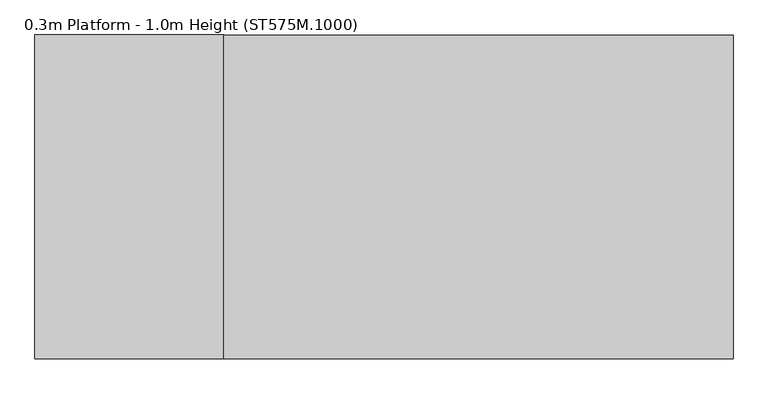
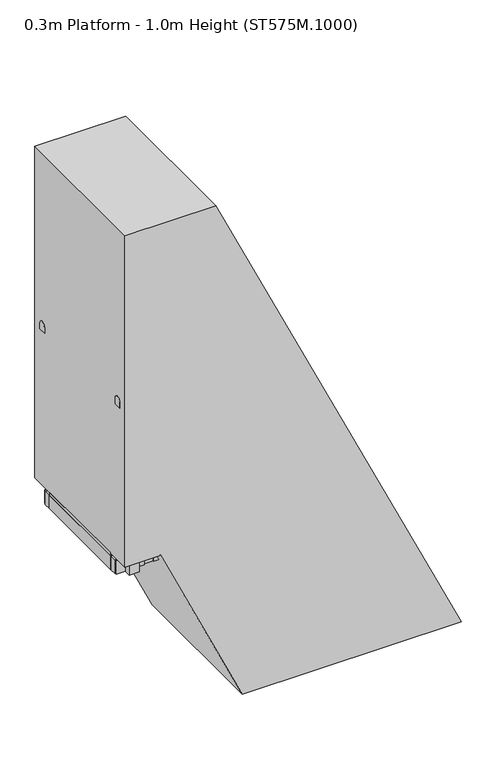
"""IFC4 building model written with IfcOpenShell, lengths in millimetres: proxy geometry, 0.3m Platform - 1.0m Height (ST575M.1000)."""

from ifc_helpers import new_model, si_unit, point, frame, frame_2d, origin, origin_with_axes, place, context, project, spatial, polyline, circle_curve, ellipse_curve, trimmed, segment, composite_curve, outline, extrude, source, transform, mapped, element, save
from ifc_brep_helpers import plane_surface, cylinder_surface, advanced_brep


def proxy_0_3m_platform_1_0m_height_st575m_1000_bfb0218d(model_context):
    return source(origin(), model_context, "Body", "SolidModel", [
        extrude(outline(polyline([(750.0, 12.5827964), (670.0, 49.887404), (670.0, 160.2252011), (750.0, 122.9205885), (750.0, 12.5827964)])), frame((0.0, 298.5, 0.0), z_axis=(0.0, 1.0, 0.0), x_axis=(0.0, 0.0, 1.0)), (0.0, 0.0, 1.0), 6.0),
        extrude(outline(polyline([(750.0, 12.5827964), (670.0, 49.887404), (670.0, 160.2252011), (750.0, 122.9205885), (750.0, 12.5827964)])), frame((0.0, -304.5, 0.0), z_axis=(0.0, 1.0, 0.0), x_axis=(0.0, 0.0, 1.0)), (0.0, 0.0, 1.0), 6.0),
        extrude(outline(polyline([(750.0, 19.7547527), (712.0999991, 37.427811), (712.0999991, 39.6345668), (747.0, 23.3604313), (747.0, 122.1127556), (712.0999991, 138.3868933), (712.0999991, 140.5936491), (750.0, 122.9205885), (750.0, 102.4928473), (749.2749538, 102.1547527), (750.0, 101.8166582), (750.0, 81.8928473), (749.2749538, 81.5547527), (750.0, 81.2166582), (750.0, 61.2928473), (749.2749538, 60.9547527), (750.0, 60.6166582), (750.0, 40.6928473), (749.2749538, 40.3547527), (750.0, 40.0166582), (750.0, 19.7547527)])), frame((0.0, -298.5, 0.0), z_axis=(0.0, 1.0, 0.0), x_axis=(0.0, 0.0, 1.0)), (0.0, 0.0, 1.0), 597.0),
        extrude(outline(polyline([(500.0, 129.170381), (420.0, 166.4749886), (420.0, 276.8127857), (500.0, 239.5081731), (500.0, 129.170381)])), frame((0.0, 298.5, 0.0), z_axis=(0.0, 1.0, 0.0), x_axis=(0.0, 0.0, 1.0)), (0.0, 0.0, 1.0), 6.0),
        extrude(outline(polyline([(500.0, 129.170381), (420.0, 166.4749886), (420.0, 276.8127857), (500.0, 239.5081731), (500.0, 129.170381)])), frame((0.0, -304.5, 0.0), z_axis=(0.0, 1.0, 0.0), x_axis=(0.0, 0.0, 1.0)), (0.0, 0.0, 1.0), 6.0),
        extrude(outline(polyline([(500.0, 136.3423373), (462.0999991, 154.0153956), (462.0999991, 156.2221514), (497.0, 139.9480159), (497.0, 238.7003402), (462.0999991, 254.9744779), (462.0999991, 257.1812337), (500.0, 239.5081731), (500.0, 219.0804319), (499.2749538, 218.7423373), (500.0, 218.4042428), (500.0, 198.4804319), (499.2749538, 198.1423373), (500.0, 197.8042428), (500.0, 177.8804319), (499.2749538, 177.5423373), (500.0, 177.2042428), (500.0, 157.2804319), (499.2749538, 156.9423373), (500.0, 156.6042428), (500.0, 136.3423373)])), frame((0.0, -298.5, 0.0), z_axis=(0.0, 1.0, 0.0), x_axis=(0.0, 0.0, 1.0)), (0.0, 0.0, 1.0), 597.0),
        extrude(outline(polyline([(-0.0541093, 0.0), (0.7582532, 5.9447512), (185.4590014, 5.9447512), (254.8144324, -3.5328109), (254.0020699, -9.4775622), (184.6466389, 0.0), (-0.0541093, 0.0)])), frame((366.0292478, 375.0, 646.1685606), z_axis=(-0.4226422346898667, 0.0, 0.9062966078808614), x_axis=(-0.8979513127537649, -0.13539374535780632, -0.4187504909152655)), (0.0, 0.0, 1.0), 80.0),
        extrude(outline(polyline([(-0.0541093, 0.0), (0.7582532, 5.9447512), (185.4590012, 5.9447512), (254.8144324, -3.5328109), (254.0020699, -9.4775622), (184.6466388, 0.0), (-0.0541093, 0.0)])), frame((268.8215338, 375.0, 854.6167804), z_axis=(-0.4226422346898667, 0.0, 0.9062966078808614), x_axis=(-0.8979513127537649, -0.13539374535780632, -0.4187504909152655)), (0.0, 0.0, 1.0), 80.0),
        extrude(outline(polyline([(0.0, 32.0), (3.0000001, 32.0), (3.0000001, 0.0), (0.0, 0.0), (0.0, 32.0)])), frame((381.4759922, 388.0, 620.2702474), z_axis=(-0.4226422346898666, 0.0, 0.9062966078808613), x_axis=(-0.9062966078808613, 0.0, -0.4226422346898666)), (0.0, 0.0, 1.0), 140.0),
        extrude(outline(polyline([(0.0, 32.0), (3.0, 32.0), (3.0, 0.0), (0.0, 0.0), (0.0, 32.0)])), frame((284.2682782, 388.0, 828.7184672), z_axis=(-0.4226422346898666, 0.0, 0.9062966078808613), x_axis=(-0.9062966078808613, 0.0, -0.4226422346898666)), (0.0, 0.0, 1.0), 140.0),
        extrude(outline(composite_curve([segment(trimmed(circle_curve(frame_2d((0.0, 14.189404)), 22.4521533), [point((-17.4, 0.0))], [point((17.4, 0.0))], False, "CARTESIAN"), True, "CONTINUOUS"), segment(polyline([(17.4, 0.0), (-17.4, 0.0)]), True, "CONTINUOUS")], self_intersect=False)), frame((453.3251721, 372.0, 466.199824), z_axis=(-0.4226422346898666, 0.0, 0.9062966078808613), x_axis=(0.0, -1.0, 0.0)), (0.0, 0.0, 1.0), 1560.0),
        extrude(outline(polyline([(-0.0541092, 0.0), (184.6466388, 0.0), (254.0020699, 9.4775622), (254.8144324, 3.5328109), (185.4590013, -5.9447512), (0.7582532, -5.9447512), (-0.0541092, 0.0)])), frame((366.0264863, -375.0, 646.1744828), z_axis=(-0.4226422346898667, 0.0, 0.9062966078808614), x_axis=(-0.8979513127537649, 0.13539374535780632, -0.4187504909152655)), (0.0, 0.0, 1.0), 80.0),
        extrude(outline(polyline([(-0.0541093, 0.0), (184.6466388, 0.0), (254.0020699, 9.4775622), (254.8144324, 3.5328109), (185.4590013, -5.9447512), (0.7582532, -5.9447512), (-0.0541093, 0.0)])), frame((268.8187723, -375.0, 854.6227026), z_axis=(-0.4226422346898667, 0.0, 0.9062966078808614), x_axis=(-0.8979513127537649, 0.13539374535780632, -0.4187504909152655)), (0.0, 0.0, 1.0), 80.0),
        extrude(outline(polyline([(0.0, -32.0), (0.0, 0.0), (3.0, 0.0), (3.0, -32.0), (0.0, -32.0)])), frame((381.4732307, -388.0, 620.2761695), z_axis=(-0.4226422346898666, 0.0, 0.9062966078808613), x_axis=(-0.9062966078808613, 0.0, -0.4226422346898666)), (0.0, 0.0, 1.0), 140.0),
        extrude(outline(polyline([(0.0, -32.0), (0.0, 0.0), (3.0, 0.0), (3.0, -32.0), (0.0, -32.0)])), frame((284.2655167, -388.0, 828.7243893), z_axis=(-0.4226422346898666, 0.0, 0.9062966078808613), x_axis=(-0.9062966078808613, 0.0, -0.4226422346898666)), (0.0, 0.0, 1.0), 140.0),
        extrude(outline(composite_curve([segment(polyline([(-17.4, 0.0), (17.4, 0.0)]), True, "CONTINUOUS"), segment(trimmed(circle_curve(frame_2d((0.0, -14.189404)), 22.4521533), [point((17.4, 0.0))], [point((-17.4, 0.0))], False, "CARTESIAN"), True, "CONTINUOUS")], self_intersect=False)), frame((453.3224106, -372.0, 466.2057462), z_axis=(-0.4226422346898666, 0.0, 0.9062966078808613), x_axis=(0.0, 1.0, 0.0)), (0.0, 0.0, 1.0), 1560.0),
        extrude(outline(polyline([(1000.0, -104.0047882), (920.0, -66.7001806), (920.0, 43.6376165), (1000.0, 6.3330038), (1000.0, -104.0047882)])), frame((0.0, 298.5, 0.0), z_axis=(0.0, 1.0, 0.0), x_axis=(0.0, 0.0, 1.0)), (0.0, 0.0, 1.0), 6.0),
        extrude(outline(polyline([(1000.0, -104.0047882), (920.0, -66.7001806), (920.0, 43.6376165), (1000.0, 6.3330038), (1000.0, -104.0047882)])), frame((0.0, -304.5, 0.0), z_axis=(0.0, 1.0, 0.0), x_axis=(0.0, 0.0, 1.0)), (0.0, 0.0, 1.0), 6.0),
        extrude(outline(polyline([(1000.0, -96.8328319), (962.0999991, -79.1597736), (962.0999991, -76.9530179), (997.0, -93.2271533), (997.0, 5.525171), (962.0999991, 21.7993086), (962.0999991, 24.0060645), (1000.0, 6.3330038), (1000.0, -14.0947373), (999.2749538, -14.4328319), (1000.0, -14.7709265), (1000.0, -34.6947373), (999.2749538, -35.0328319), (1000.0, -35.3709265), (1000.0, -55.2947373), (999.2749538, -55.6328319), (1000.0, -55.9709265), (1000.0, -75.8947373), (999.2749538, -76.2328319), (1000.0, -76.5709265), (1000.0, -96.8328319)])), frame((0.0, -298.5, 0.0), z_axis=(0.0, 1.0, 0.0), x_axis=(0.0, 0.0, 1.0)), (0.0, 0.0, 1.0), 597.0),
        extrude(outline(polyline([(250.0, 245.7579657), (170.0, 283.0625733), (170.0, 393.4003703), (250.0, 356.0957577), (250.0, 245.7579657)])), frame((0.0, 298.5, 0.0), z_axis=(0.0, 1.0, 0.0), x_axis=(0.0, 0.0, 1.0)), (0.0, 0.0, 1.0), 6.0),
        extrude(outline(polyline([(250.0, 245.7579657), (170.0, 283.0625733), (170.0, 393.4003703), (250.0, 356.0957577), (250.0, 245.7579657)])), frame((0.0, -304.5, 0.0), z_axis=(0.0, 1.0, 0.0), x_axis=(0.0, 0.0, 1.0)), (0.0, 0.0, 1.0), 6.0),
        extrude(outline(polyline([(250.0, 252.929922), (212.0999991, 270.6029802), (212.0999991, 272.809736), (247.0, 256.5356005), (247.0, 355.2879248), (212.0999991, 371.5620625), (212.0999991, 373.7688183), (250.0, 356.0957577), (250.0, 335.6680165), (249.2749538, 335.329922), (250.0, 334.9918274), (250.0, 315.0680165), (249.2749538, 314.729922), (250.0, 314.3918274), (250.0, 294.4680165), (249.2749538, 294.129922), (250.0, 293.7918274), (250.0, 273.8680165), (249.2749538, 273.529922), (250.0, 273.1918274), (250.0, 252.929922)])), frame((0.0, -298.5, 0.0), z_axis=(0.0, 1.0, 0.0), x_axis=(0.0, 0.0, 1.0)), (0.0, 0.0, 1.0), 597.0),
        extrude(outline(polyline([(-108.8328319, -304.5), (-146.8328319, -304.5), (-146.8328319, 304.5), (-108.8328319, 304.5), (-108.8328319, -304.5)])), frame((0.0, 0.0, 923.0), z_axis=(0.0, 0.0, 1.0), x_axis=(1.0, 0.0, 0.0)), (0.0, 0.0, 1.0), 58.0),
        advanced_brep(
        [(-256.8328319, 372.0, 1942.0), (-256.8328319, 372.0, 1987.0), (-244.1016939, 372.0, 1942.0), (-215.4337404, 372.0, 1987.0), (-213.5569732, 372.0, 1876.4977609), (-172.773248, 372.0, 1895.5158512)],
        [
            (0, 1, circle_curve(frame((-256.8328319, 372.0, 1964.5), z_axis=(-1.0, 0.0, 0.0), x_axis=(0.0, 0.0, 1.0)), 22.5)),
            (1, 0, circle_curve(frame((-256.8328319, 372.0, 1964.5), z_axis=(-1.0, 0.0, 0.0), x_axis=(0.0, 0.0, 1.0)), 22.5)),
            (0, 2),
            (2, 3, ellipse_curve(frame((-229.7677171, 372.0, 1964.5), z_axis=(-0.8433932143583011, 0.0, 0.5372968322765107), x_axis=(-0.5372968322765107, 0.0, -0.8433932143583011)), 26.6779476, 22.5)),
            (3, 1),
            (3, 2, ellipse_curve(frame((-229.7677171, 372.0, 1964.5), z_axis=(-0.8433932143583011, 0.0, 0.5372968322765107), x_axis=(-0.5372968322765107, 0.0, -0.8433932143583011)), 26.6779476, 22.5)),
            (4, 5, circle_curve(frame((-193.1651106, 372.0, 1886.0068061), z_axis=(0.4226242280512543, 0.0, -0.9063050048764387), x_axis=(0.9063050048764387, 0.0, 0.4226242280512543)), 22.5)),
            (5, 4, circle_curve(frame((-193.1651106, 372.0, 1886.0068061), z_axis=(0.4226242280512543, 0.0, -0.9063050048764387), x_axis=(0.9063050048764387, 0.0, 0.4226242280512543)), 22.5)),
            (2, 4),
            (5, 3),
        ],
        [
            plane_surface(frame((-256.8328319, 0.0, 1987.0), z_axis=(-1.0, 0.0, 0.0), x_axis=(0.0, -1.0, 0.0))),
            cylinder_surface(frame((-256.8328319, 372.0, 1964.5), z_axis=(-1.0, 0.0, 0.0), x_axis=(0.0, 0.0, 1.0)), 22.5),
            plane_surface(frame((-172.773248, 0.0, 1895.5158512), z_axis=(0.4226242280512543, 0.0, -0.9063050048764387), x_axis=(0.0, -1.0, 0.0))),
            cylinder_surface(frame((-235.825603, 372.0, 1977.4909549), z_axis=(-0.4226242280512543, 0.0, 0.9063050048764387), x_axis=(0.9063050048764387, 0.0, 0.4226242280512543)), 22.5),
        ],
        [
            (0, [[1, 2]]),
            (1, [[-1, 3, 4, 5]]),
            (1, [[-2, -5, 6, -3]]),
            (2, [[7, 8]]),
            (3, [[-4, 9, -8, 10]]),
            (3, [[-6, -10, -7, -9]]),
        ],
    ),
        advanced_brep(
        [(-256.8328319, -372.0, 1942.0), (-256.8328319, -372.0, 1987.0), (-244.1016939, -372.0, 1942.0), (-215.4337404, -372.0, 1987.0), (-213.5569732, -372.0, 1876.4977609), (-172.773248, -372.0, 1895.5158512)],
        [
            (0, 1, circle_curve(frame((-256.8328319, -372.0, 1964.5), z_axis=(-1.0, 0.0, 0.0), x_axis=(0.0, 0.0, 1.0)), 22.5)),
            (1, 0, circle_curve(frame((-256.8328319, -372.0, 1964.5), z_axis=(-1.0, 0.0, 0.0), x_axis=(0.0, 0.0, 1.0)), 22.5)),
            (0, 2),
            (2, 3, ellipse_curve(frame((-229.7677171, -372.0, 1964.5), z_axis=(-0.8433932143583011, 0.0, 0.5372968322765107), x_axis=(-0.5372968322765107, 0.0, -0.8433932143583011)), 26.6779476, 22.5)),
            (3, 1),
            (3, 2, ellipse_curve(frame((-229.7677171, -372.0, 1964.5), z_axis=(-0.8433932143583011, 0.0, 0.5372968322765107), x_axis=(-0.5372968322765107, 0.0, -0.8433932143583011)), 26.6779476, 22.5)),
            (4, 5, circle_curve(frame((-193.1651106, -372.0, 1886.0068061), z_axis=(0.4226242280512543, 0.0, -0.9063050048764387), x_axis=(0.9063050048764387, 0.0, 0.4226242280512543)), 22.5)),
            (5, 4, circle_curve(frame((-193.1651106, -372.0, 1886.0068061), z_axis=(0.4226242280512543, 0.0, -0.9063050048764387), x_axis=(0.9063050048764387, 0.0, 0.4226242280512543)), 22.5)),
            (2, 4),
            (5, 3),
        ],
        [
            plane_surface(frame((-256.8328319, 0.0, 1987.0), z_axis=(-1.0, 0.0, 0.0), x_axis=(0.0, -1.0, 0.0))),
            cylinder_surface(frame((-256.8328319, -372.0, 1964.5), z_axis=(-1.0, 0.0, 0.0), x_axis=(0.0, 0.0, 1.0)), 22.5),
            plane_surface(frame((-172.773248, 0.0, 1895.5158512), z_axis=(0.4226242280512543, 0.0, -0.9063050048764387), x_axis=(0.0, -1.0, 0.0))),
            cylinder_surface(frame((-235.825603, -372.0, 1977.4909549), z_axis=(-0.4226242280512543, 0.0, 0.9063050048764387), x_axis=(0.9063050048764387, 0.0, 0.4226242280512543)), 22.5),
        ],
        [
            (0, [[1, 2]]),
            (1, [[-1, 3, 4, 5]]),
            (1, [[-2, -5, 6, -3]]),
            (2, [[7, 8]]),
            (3, [[-4, 9, -8, 10]]),
            (3, [[-6, -10, -7, -9]]),
        ],
    ),
        extrude(outline(polyline([(-390.8328319, -304.5), (-396.8328319, -304.5), (-396.8328319, 304.5), (-390.8328319, 304.5), (-390.8328319, -304.5)])), frame((0.0, 0.0, 901.0), z_axis=(0.0, 0.0, 1.0), x_axis=(1.0, 0.0, 0.0)), (0.0, 0.0, 1.0), 80.0),
        extrude(outline(composite_curve([segment(polyline([(349.5, 1930.0), (349.5, 1964.5)]), True, "CONTINUOUS"), segment(trimmed(circle_curve(frame_2d((372.0, 1964.5)), 22.5), [point((349.5, 1964.5))], [point((394.5, 1964.5))], False, "CARTESIAN"), True, "CONTINUOUS"), segment(polyline([(394.5, 1964.5), (394.5, 1930.0), (349.5, 1930.0)]), True, "CONTINUOUS")], self_intersect=False)), frame((-396.8328319, 0.0, 0.0), z_axis=(1.0, 0.0, 0.0), x_axis=(0.0, 1.0, 0.0)), (0.0, 0.0, 1.0), 140.0),
        extrude(outline(composite_curve([segment(polyline([(-349.5, 1930.0), (-394.5, 1930.0), (-394.5, 1964.5)]), True, "CONTINUOUS"), segment(trimmed(circle_curve(frame_2d((-372.0, 1964.5)), 22.5), [point((-394.5, 1964.5))], [point((-349.5, 1964.5))], False, "CARTESIAN"), True, "CONTINUOUS"), segment(polyline([(-349.5, 1964.5), (-349.5, 1930.0)]), True, "CONTINUOUS")], self_intersect=False)), frame((-396.8328319, 0.0, 0.0), z_axis=(1.0, 0.0, 0.0), x_axis=(0.0, 1.0, 0.0)), (0.0, 0.0, 1.0), 140.0),
        extrude(outline(polyline([(-232.8328319, 353.0), (-232.8328319, 343.0), (-392.8328319, 343.0), (-392.8328319, 353.0), (-232.8328319, 353.0)])), frame((0.0, 0.0, 901.0), z_axis=(0.0, 0.0, 1.0), x_axis=(1.0, 0.0, 0.0)), (0.0, 0.0, 1.0), 80.0),
        extrude(outline(polyline([(-232.8328319, -343.0), (-232.8328319, -353.0), (-392.8328319, -353.0), (-392.8328319, -343.0), (-232.8328319, -343.0)])), frame((0.0, 0.0, 901.0), z_axis=(0.0, 0.0, 1.0), x_axis=(1.0, 0.0, 0.0)), (0.0, 0.0, 1.0), 80.0),
        extrude(outline(polyline([(-283.8328319, 391.0), (-283.8328319, 353.0), (-341.8328319, 353.0), (-341.8328319, 391.0), (-283.8328319, 391.0)])), frame((0.0, 0.0, 901.0), z_axis=(0.0, 0.0, 1.0), x_axis=(1.0, 0.0, 0.0)), (0.0, 0.0, 1.0), 1029.0),
        extrude(outline(polyline([(-283.8328319, -353.0), (-283.8328319, -391.0), (-341.8328319, -391.0), (-341.8328319, -353.0), (-283.8328319, -353.0)])), frame((0.0, 0.0, 901.0), z_axis=(0.0, 0.0, 1.0), x_axis=(1.0, 0.0, 0.0)), (0.0, 0.0, 1.0), 1029.0),
        extrude(outline(polyline([(-96.8328319, 343.0), (-96.8328319, 304.5), (-396.8328319, 304.5), (-396.8328319, 343.0), (-96.8328319, 343.0)])), frame((0.0, 0.0, 901.0), z_axis=(0.0, 0.0, 1.0), x_axis=(1.0, 0.0, 0.0)), (0.0, 0.0, 1.0), 80.0),
        extrude(outline(polyline([(-96.8328319, -304.5), (-96.8328319, -343.0), (-396.8328319, -343.0), (-396.8328319, -304.5), (-96.8328319, -304.5)])), frame((0.0, 0.0, 901.0), z_axis=(0.0, 0.0, 1.0), x_axis=(1.0, 0.0, 0.0)), (0.0, 0.0, 1.0), 80.0),
        extrude(outline(polyline([(-99.8328319, 297.5), (-99.8328319, -297.5), (-393.8328319, -297.5), (-393.8328319, 297.5), (-99.8328319, 297.5)])), frame((0.0, 0.0, 984.0), z_axis=(0.0, 0.0, 1.0), x_axis=(1.0, 0.0, 0.0)), (0.0, 0.0, 1.0), 13.0),
        extrude(outline(polyline([(1000.0, -114.8328319), (997.0, -114.8328319), (997.0, -99.8328319), (984.0, -99.8328319), (984.0, -114.8328319), (981.0, -114.8328319), (981.0, -96.8328319), (1000.0, -96.8328319), (1000.0, -114.8328319)])), frame((0.0, -297.5, 0.0), z_axis=(0.0, 1.0, 0.0), x_axis=(0.0, 0.0, 1.0)), (0.0, 0.0, 1.0), 595.0),
        extrude(outline(polyline([(1000.0, -378.8328319), (1000.0, -396.8328319), (981.0, -396.8328319), (981.0, -378.8328319), (984.0, -378.8328319), (984.0, -393.8328319), (997.0, -393.8328319), (997.0, -378.8328319), (1000.0, -378.8328319)])), frame((0.0, -297.5, 0.0), z_axis=(0.0, 1.0, 0.0), x_axis=(0.0, 0.0, 1.0)), (0.0, 0.0, 1.0), 595.0),
        extrude(outline(polyline([(981.0, 12.859157), (981.0, -176.8328319), (901.0, -176.8328319), (901.0, 50.1637697), (981.0, 12.859157)])), frame((0.0, 344.0, 0.0), z_axis=(0.0, 1.0, 0.0), x_axis=(0.0, 0.0, 1.0)), (0.0, 0.0, 1.0), 6.0),
        extrude(outline(polyline([(981.0, 15.2248596), (981.0, -176.8328319), (901.0, -176.8328319), (901.0, 52.5294722), (981.0, 15.2248596)])), frame((0.0, -350.0, 0.0), z_axis=(0.0, 1.0, 0.0), x_axis=(0.0, 0.0, 1.0)), (0.0, 0.0, 1.0), 6.0),
        extrude(outline(polyline([(-304.5, 79.9999999), (-304.5, 0.0), (-343.0, 0.0), (-343.0, 79.9999999), (-304.5, 79.9999999)])), frame((381.6045928, 0.0, 6.0), z_axis=(-0.4226182617406976, 0.0, 0.9063077870366509), x_axis=(0.0, -1.0, 0.0)), (0.0, 0.0, 1.0), 1096.7576514),
        extrude(outline(polyline([(343.0, 79.9999999), (343.0, 0.0), (304.5, 0.0), (304.5, 79.9999999), (343.0, 79.9999999)])), frame((381.6045928, 0.0, 6.0), z_axis=(-0.4226182617406976, 0.0, 0.9063077870366509), x_axis=(0.0, -1.0, 0.0)), (0.0, 0.0, 1.0), 1096.7576514),
        extrude(outline(polyline([(141.9461681, 406.482087), (108.1367071, 333.977464), (6.0, 381.6045928), (6.0, 469.8748263), (141.9461681, 406.482087)])), frame((0.0, 344.0, 0.0), z_axis=(0.0, 1.0, 0.0), x_axis=(0.0, 0.0, 1.0)), (0.0, 0.0, 1.0), 6.0),
        extrude(outline(polyline([(141.9461681, 406.482087), (108.1367071, 333.977464), (6.0, 381.6045928), (6.0, 469.8748263), (141.9461681, 406.482087)])), frame((0.0, -350.0, 0.0), z_axis=(0.0, 1.0, 0.0), x_axis=(0.0, 0.0, 1.0)), (0.0, 0.0, 1.0), 6.0),
        extrude(outline(polyline([(475.7748263, 358.0), (475.7748263, -358.0), (375.7748263, -358.0), (375.7748263, 358.0), (475.7748263, 358.0)])), origin_with_axes(), (0.0, 0.0, 1.0), 6.0),
        extrude(outline(polyline([(1000.0, -193.666699), (0.0, 272.6731626), (0.0, 1520.8959069), (3000.0, 121.8763221), (3000.0, -396.8328319), (1000.0, -396.8328319), (1000.0, -193.666699)])), frame((0.0, -444.5, 0.0), z_axis=(0.0, 1.0, 0.0), x_axis=(0.0, 0.0, 1.0)), (0.0, 0.0, 1.0), 889.0),
    ])


if __name__ == "__main__":
    model = new_model("IFC4")
    model_context = context("Model", 3, world=origin())
    ifc_project = project(units=[si_unit("LENGTHUNIT", "METRE", prefix="MILLI")], contexts=[model_context])
    site = spatial("IfcSite", under=ifc_project)
    building = spatial("IfcBuilding", under=site)
    placement = place(None, origin())
    proxy_0_3m_platform_1_0m_height_st575m_1000_shape = proxy_0_3m_platform_1_0m_height_st575m_1000_bfb0218d(model_context)
    element("IfcBuildingElementProxy", 1, Name="0.3m Platform - 1.0m Height (ST575M.1000)", ObjectType="0.3m Platform - 1.0m Height (ST575M.1000)", at=placement, inside=building, context=model_context, shape_type="MappedRepresentation", body=[
        mapped(proxy_0_3m_platform_1_0m_height_st575m_1000_shape, transform((0.0, 0.0, 0.0), x_axis=(1.0, 0.0, 0.0), y_axis=(0.0, 1.0, 0.0), z_axis=(0.0, 0.0, 1.0))),
    ])
    save(model, "model.ifc")
